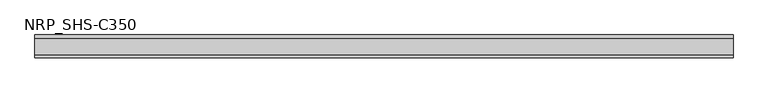
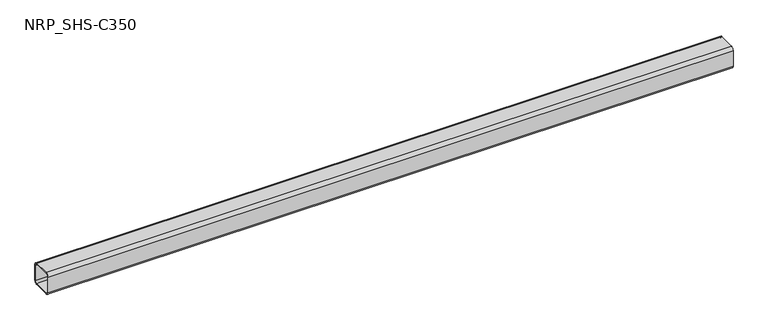
"""IFC4 building model written with IfcOpenShell, lengths in millimetres: member geometry, NRP_SHS-C350."""

from ifc_helpers import new_model, si_unit, point, frame, frame_2d, origin, place, context, project, spatial, polyline, circle_curve, trimmed, segment, composite_curve, outline, extrude, source, transform, mapped, element, save


def nrp_shs_c350_ba20173f(model_context):
    return source(origin(), model_context, "Body", "SweptSolid", [
        extrude(outline(composite_curve([segment(polyline([(44.5, 32.0), (44.5, -32.0)]), True, "CONTINUOUS"), segment(trimmed(circle_curve(frame_2d((32.0, -32.0)), 12.5), [point((44.5, -32.0))], [point((32.0, -44.5))], False, "CARTESIAN"), True, "CONTINUOUS"), segment(polyline([(32.0, -44.5), (-32.0, -44.5)]), True, "CONTINUOUS"), segment(trimmed(circle_curve(frame_2d((-32.0, -32.0)), 12.5), [point((-32.0, -44.5))], [point((-44.5, -32.0))], False, "CARTESIAN"), True, "CONTINUOUS"), segment(polyline([(-44.5, -32.0), (-44.5, 32.0)]), True, "CONTINUOUS"), segment(trimmed(circle_curve(frame_2d((-32.0, 32.0)), 12.5), [point((-44.5, 32.0))], [point((-32.0, 44.5))], False, "CARTESIAN"), True, "CONTINUOUS"), segment(polyline([(-32.0, 44.5), (32.0, 44.5)]), True, "CONTINUOUS"), segment(trimmed(circle_curve(frame_2d((32.0, 32.0)), 12.5), [point((32.0, 44.5))], [point((44.5, 32.0))], False, "CARTESIAN"), True, "CONTINUOUS")], self_intersect=False), holes=[composite_curve([segment(trimmed(circle_curve(frame_2d((-32.0, 32.0)), 7.5), [point((-32.0, 39.5))], [point((-39.5, 32.0))], True, "CARTESIAN"), True, "CONTINUOUS"), segment(polyline([(-39.5, 32.0), (-39.5, -32.0)]), True, "CONTINUOUS"), segment(trimmed(circle_curve(frame_2d((-32.0, -32.0)), 7.5), [point((-39.5, -32.0))], [point((-32.0, -39.5))], True, "CARTESIAN"), True, "CONTINUOUS"), segment(polyline([(-32.0, -39.5), (32.0, -39.5)]), True, "CONTINUOUS"), segment(trimmed(circle_curve(frame_2d((32.0, -32.0)), 7.5), [point((32.0, -39.5))], [point((39.5, -32.0))], True, "CARTESIAN"), True, "CONTINUOUS"), segment(polyline([(39.5, -32.0), (39.5, 32.0)]), True, "CONTINUOUS"), segment(trimmed(circle_curve(frame_2d((32.0, 32.0)), 7.5), [point((39.5, 32.0))], [point((32.0, 39.5))], True, "CARTESIAN"), True, "CONTINUOUS"), segment(polyline([(32.0, 39.5), (-32.0, 39.5)]), True, "CONTINUOUS")], self_intersect=False)]), frame((-1322.0, 0.0, 0.0), z_axis=(1.0, 0.0, 0.0), x_axis=(0.0, 1.0, 0.0)), (0.0, 0.0, 1.0), 2699.0),
    ])


if __name__ == "__main__":
    model = new_model("IFC4")
    model_context = context("Model", 3, world=origin())
    ifc_project = project(units=[si_unit("LENGTHUNIT", "METRE", prefix="MILLI")], contexts=[model_context])
    site = spatial("IfcSite", under=ifc_project)
    building = spatial("IfcBuilding", under=site)
    placement = place(None, origin())
    nrp_shs_c350_shape = nrp_shs_c350_ba20173f(model_context)
    element("IfcMember", 1, ObjectType="NRP_SHS-C350", at=placement, inside=building, context=model_context, shape_type="MappedRepresentation", body=[
        mapped(nrp_shs_c350_shape, transform((0.0, 0.0, 0.0), x_axis=(1.0, 0.0, 0.0), y_axis=(0.0, 1.0, 0.0), z_axis=(0.0, 0.0, 1.0))),
    ])
    save(model, "model.ifc")
